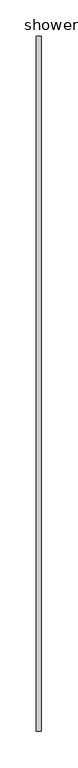
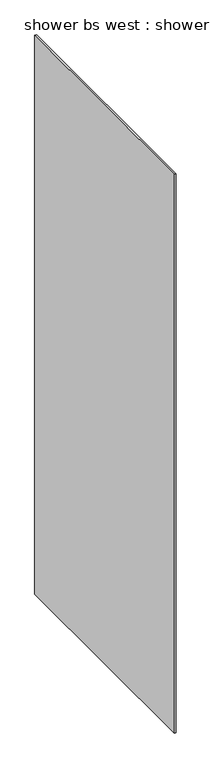
"""IFC4 building model written with IfcOpenShell, lengths in millimetres: proxy geometry, shower bs west : shower bs west."""

from ifc_helpers import new_model, si_unit, frame, origin, place, context, project, spatial, polyline, outline, extrude, source, transform, mapped, element, save


def shower_bs_west_shower_bs_west_b0cdbab3(model_context):
    return source(origin(), model_context, "Body", "SweptSolid", [
        extrude(outline(polyline([(-8321.7823603, 7894.8751285), (-8321.7823603, 6942.3751285), (-8328.1323603, 6942.3751285), (-8328.1323603, 7894.8751285), (-8321.7823603, 7894.8751285)])), frame((0.0, 0.0, 3165.475), z_axis=(0.0, 0.0, 1.0), x_axis=(1.0, 0.0, 0.0)), (0.0, 0.0, 1.0), 2320.925),
    ])


if __name__ == "__main__":
    model = new_model("IFC4")
    model_context = context("Model", 3, world=origin())
    ifc_project = project(units=[si_unit("LENGTHUNIT", "METRE", prefix="MILLI")], contexts=[model_context])
    site = spatial("IfcSite", under=ifc_project)
    building = spatial("IfcBuilding", under=site)
    placement = place(None, origin())
    shower_bs_west_shower_bs_west_shape = shower_bs_west_shower_bs_west_b0cdbab3(model_context)
    element("IfcBuildingElementProxy", 1, Name="shower bs west : shower bs west", ObjectType="shower bs west : shower bs west", at=placement, inside=building, context=model_context, shape_type="MappedRepresentation", body=[
        mapped(shower_bs_west_shower_bs_west_shape, transform((0.0, 0.0, 0.0), x_axis=(1.0, 0.0, 0.0), y_axis=(0.0, 1.0, 0.0), z_axis=(0.0, 0.0, 1.0))),
    ])
    save(model, "model.ifc")
